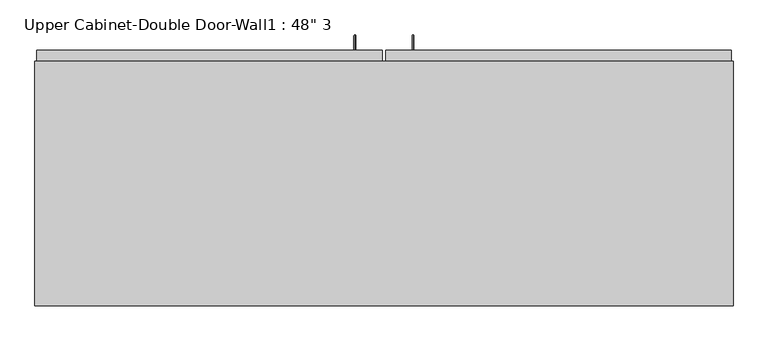
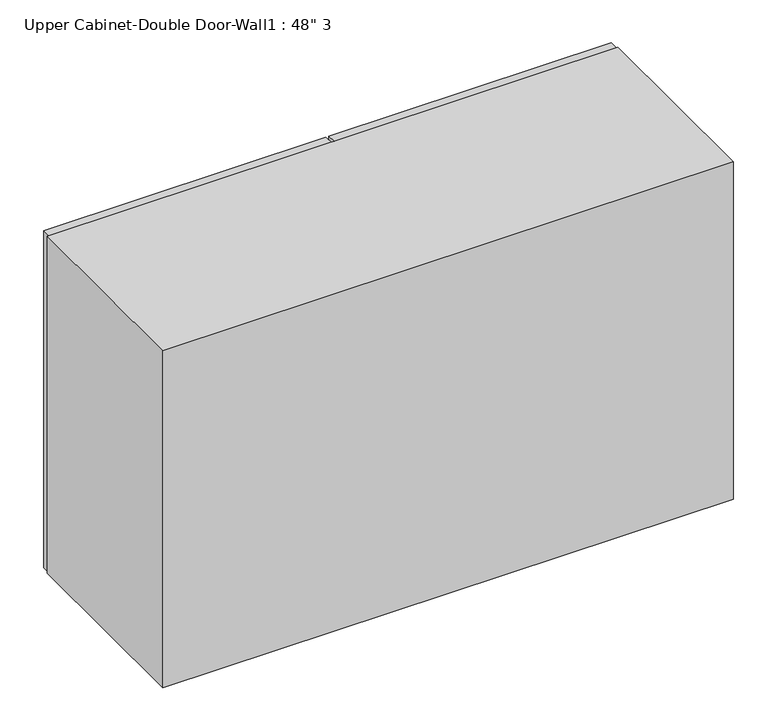
"""IFC4 building model written with IfcOpenShell, lengths in millimetres: furniture geometry."""

from ifc_helpers import new_model, si_unit, frame, origin, place, context, project, spatial, polyline, circle_curve, ellipse_curve, outline, extrude, faceted_brep, source, transform, mapped, element, save
from ifc_brep_helpers import plane_surface, cylinder_surface, advanced_brep


def furniture_0e013a3c(model_context):
    return source(origin(), model_context, "Body", "SolidModel", [
        advanced_brep(
        [(80.5132081, 507.9625, 1425.575), (80.5132081, 507.9625, 1422.4), (80.5132081, 531.775, 1425.575), (80.5132081, 534.95, 1422.4), (80.5132081, 531.775, 1597.025), (80.5132081, 534.95, 1600.2), (80.5132081, 507.9625, 1597.025), (80.5132081, 507.9625, 1600.2)],
        [
            (0, 1, circle_curve(frame((80.5132081, 507.9625, 1423.9875), z_axis=(0.0, -1.0, 0.0), x_axis=(0.0, 0.0, -1.0)), 1.5875)),
            (1, 0, circle_curve(frame((80.5132081, 507.9625, 1423.9875), z_axis=(0.0, -1.0, 0.0), x_axis=(0.0, 0.0, -1.0)), 1.5875)),
            (0, 2),
            (2, 3, ellipse_curve(frame((80.5132081, 533.3625, 1423.9875), z_axis=(0.0, -0.7071067811865498, -0.7071067811865454), x_axis=(0.0, -0.7071067811865451, 0.7071067811865498)), 2.245064, 1.5875)),
            (3, 1),
            (3, 2, ellipse_curve(frame((80.5132081, 533.3625, 1423.9875), z_axis=(0.0, -0.7071067811865498, -0.7071067811865454), x_axis=(0.0, -0.7071067811865451, 0.7071067811865498)), 2.245064, 1.5875)),
            (2, 4),
            (4, 5, ellipse_curve(frame((80.5132081, 533.3625, 1598.6125), z_axis=(0.0, 0.7071067811865452, -0.7071067811865497), x_axis=(0.0, -0.7071067811865496, -0.7071067811865455)), 2.245064, 1.5875)),
            (5, 3),
            (5, 4, ellipse_curve(frame((80.5132081, 533.3625, 1598.6125), z_axis=(0.0, 0.7071067811865452, -0.7071067811865497), x_axis=(0.0, -0.7071067811865496, -0.7071067811865455)), 2.245064, 1.5875)),
            (6, 7, circle_curve(frame((80.5132081, 507.9625, 1598.6125), z_axis=(0.0, -1.0, 0.0), x_axis=(0.0, 0.0, 1.0)), 1.5875)),
            (7, 6, circle_curve(frame((80.5132081, 507.9625, 1598.6125), z_axis=(0.0, -1.0, 0.0), x_axis=(0.0, 0.0, 1.0)), 1.5875)),
            (4, 6),
            (7, 5),
        ],
        [
            plane_surface(frame((80.5132081, 507.9625, 1423.9875), z_axis=(0.0, -1.0, 0.0), x_axis=(-1.0, 0.0, 0.0))),
            cylinder_surface(frame((80.5132081, 507.9625, 1423.9875), z_axis=(0.0, -1.0, 0.0), x_axis=(0.0, 0.0, -1.0)), 1.5875),
            cylinder_surface(frame((80.5132081, 533.3625, 1423.9875), z_axis=(0.0, 0.0, -1.0), x_axis=(0.0, 1.0, 0.0)), 1.5875),
            plane_surface(frame((80.5132081, 507.9625, 1598.6125), z_axis=(0.0, -1.0, 0.0), x_axis=(-1.0, 0.0, 0.0))),
            cylinder_surface(frame((80.5132081, 533.3625, 1598.6125), z_axis=(0.0, 1.0, 0.0), x_axis=(0.0, 0.0, 1.0)), 1.5875),
        ],
        [
            (0, [[1, 2]]),
            (1, [[-1, 3, 4, 5]]),
            (1, [[-2, -5, 6, -3]]),
            (2, [[-4, 7, 8, 9]]),
            (2, [[-6, -9, 10, -7]]),
            (3, [[11, 12]]),
            (4, [[-8, 13, -12, 14]]),
            (4, [[-10, -14, -11, -13]]),
        ],
    ),
        advanced_brep(
        [(-21.0867919, 507.9625, 1425.575), (-21.0867919, 507.9625, 1422.4), (-21.0867919, 531.775, 1425.575), (-21.0867919, 534.95, 1422.4), (-21.0867919, 531.775, 1597.025), (-21.0867919, 534.95, 1600.2), (-21.0867919, 507.9625, 1597.025), (-21.0867919, 507.9625, 1600.2)],
        [
            (0, 1, circle_curve(frame((-21.0867919, 507.9625, 1423.9875), z_axis=(0.0, -1.0, 0.0), x_axis=(0.0, 0.0, -1.0)), 1.5875)),
            (1, 0, circle_curve(frame((-21.0867919, 507.9625, 1423.9875), z_axis=(0.0, -1.0, 0.0), x_axis=(0.0, 0.0, -1.0)), 1.5875)),
            (0, 2),
            (2, 3, ellipse_curve(frame((-21.0867919, 533.3625, 1423.9875), z_axis=(0.0, -0.7071067811865498, -0.7071067811865451), x_axis=(0.0, -0.7071067811865454, 0.7071067811865498)), 2.245064, 1.5875)),
            (3, 1),
            (3, 2, ellipse_curve(frame((-21.0867919, 533.3625, 1423.9875), z_axis=(0.0, -0.7071067811865498, -0.7071067811865451), x_axis=(0.0, -0.7071067811865454, 0.7071067811865498)), 2.245064, 1.5875)),
            (2, 4),
            (4, 5, ellipse_curve(frame((-21.0867919, 533.3625, 1598.6125), z_axis=(0.0, 0.7071067811865452, -0.7071067811865499), x_axis=(0.0, -0.70710678118655, -0.707106781186545)), 2.245064, 1.5875)),
            (5, 3),
            (5, 4, ellipse_curve(frame((-21.0867919, 533.3625, 1598.6125), z_axis=(0.0, 0.7071067811865452, -0.7071067811865499), x_axis=(0.0, -0.70710678118655, -0.707106781186545)), 2.245064, 1.5875)),
            (6, 7, circle_curve(frame((-21.0867919, 507.9625, 1598.6125), z_axis=(0.0, -1.0, 0.0), x_axis=(0.0, 0.0, 1.0)), 1.5875)),
            (7, 6, circle_curve(frame((-21.0867919, 507.9625, 1598.6125), z_axis=(0.0, -1.0, 0.0), x_axis=(0.0, 0.0, 1.0)), 1.5875)),
            (4, 6),
            (7, 5),
        ],
        [
            plane_surface(frame((-21.0867919, 507.9625, 1423.9875), z_axis=(0.0, -1.0, 0.0), x_axis=(-1.0, 0.0, 0.0))),
            cylinder_surface(frame((-21.0867919, 507.9625, 1423.9875), z_axis=(0.0, -1.0, 0.0), x_axis=(0.0, 0.0, -1.0)), 1.5875),
            cylinder_surface(frame((-21.0867919, 533.3625, 1423.9875), z_axis=(0.0, 0.0, -1.0), x_axis=(0.0, 1.0, 0.0)), 1.5875),
            plane_surface(frame((-21.0867919, 507.9625, 1598.6125), z_axis=(0.0, -1.0, 0.0), x_axis=(-1.0, 0.0, 0.0))),
            cylinder_surface(frame((-21.0867919, 533.3625, 1598.6125), z_axis=(0.0, 1.0, 0.0), x_axis=(0.0, 0.0, 1.0)), 1.5875),
        ],
        [
            (0, [[1, 2]]),
            (1, [[-1, 3, 4, 5]]),
            (1, [[-2, -5, 6, -3]]),
            (2, [[-4, 7, 8, 9]]),
            (2, [[-6, -9, 10, -7]]),
            (3, [[11, 12]]),
            (4, [[-8, 13, -12, 14]]),
            (4, [[-10, -14, -11, -13]]),
        ],
    ),
        faceted_brep([(-579.8288372, 61.9125, 2133.6), (-579.8288372, 61.9125, 1371.6), (639.3711628, 61.9125, 1371.6), (639.3711628, 61.9125, 2133.6), (-579.8288372, 488.9125, 2133.6), (639.3711628, 488.9125, 2133.6), (639.3711628, 488.9125, 1371.6), (-579.8288372, 488.9125, 1371.6), (620.3211628, 488.9125, 2114.55), (55.1711628, 488.9125, 2114.55), (55.1711628, 488.9125, 1390.65), (620.3211628, 488.9125, 1390.65), (-560.7788372, 488.9125, 2114.55), (-560.7788372, 488.9125, 1390.65), (4.3711628, 488.9125, 1390.65), (4.3711628, 488.9125, 2114.55), (-560.7788372, 80.9625, 2114.55), (4.3711628, 469.8625, 2114.55), (55.1711628, 469.8625, 2114.55), (620.3211628, 80.9625, 2114.55), (620.3211628, 80.9625, 1390.65), (55.1711628, 469.8625, 1390.65), (4.3711628, 469.8625, 1390.65), (-560.7788372, 80.9625, 1390.65)], [[[0, 1, 2, 3]], [[4, 5, 6, 7], [8, 9, 10, 11], [12, 13, 14, 15]], [[1, 0, 4, 7]], [[2, 1, 7, 6]], [[3, 2, 6, 5]], [[0, 3, 5, 4]], [[16, 12, 15, 17, 18, 9, 8, 19]], [[8, 11, 20, 19]], [[20, 11, 10, 21, 22, 14, 13, 23]], [[13, 12, 16, 23]], [[16, 19, 20, 23]], [[18, 21, 10, 9]], [[15, 14, 22, 17]], [[21, 18, 17, 22]]]),
        extrude(outline(polyline([(32.9461628, 507.9625), (636.1961628, 507.9625), (636.1961628, 488.9125), (32.9461628, 488.9125), (32.9461628, 507.9625)])), frame((0.0, 0.0, 1371.6), z_axis=(0.0, 0.0, 1.0), x_axis=(1.0, 0.0, 0.0)), (0.0, 0.0, 1.0), 762.0),
        extrude(outline(polyline([(-576.6538372, 507.9625), (26.5961628, 507.9625), (26.5961628, 488.9125), (-576.6538372, 488.9125), (-576.6538372, 507.9625)])), frame((0.0, 0.0, 1371.6), z_axis=(0.0, 0.0, 1.0), x_axis=(1.0, 0.0, 0.0)), (0.0, 0.0, 1.0), 762.0),
        extrude(outline(polyline([(620.3211628, 469.8625), (620.3211628, 80.9625), (-560.7788372, 80.9625), (-560.7788372, 469.8625), (620.3211628, 469.8625)])), frame((0.0, 0.0, 1951.0326388), z_axis=(0.0, 0.0, 1.0), x_axis=(1.0, 0.0, 0.0)), (0.0, 0.0, 1.0), 12.7),
        extrude(outline(polyline([(620.3211628, 469.8625), (620.3211628, 80.9625), (-560.7788372, 80.9625), (-560.7788372, 469.8625), (620.3211628, 469.8625)])), frame((0.0, 0.0, 1773.2326388), z_axis=(0.0, 0.0, 1.0), x_axis=(1.0, 0.0, 0.0)), (0.0, 0.0, 1.0), 12.7),
        extrude(outline(polyline([(620.3211628, 469.8625), (620.3211628, 80.9625), (-560.7788372, 80.9625), (-560.7788372, 469.8625), (620.3211628, 469.8625)])), frame((0.0, 0.0, 1595.4326388), z_axis=(0.0, 0.0, 1.0), x_axis=(1.0, 0.0, 0.0)), (0.0, 0.0, 1.0), 12.7),
    ])


if __name__ == "__main__":
    model = new_model("IFC4")
    model_context = context("Model", 3, world=origin())
    ifc_project = project(units=[si_unit("LENGTHUNIT", "METRE", prefix="MILLI")], contexts=[model_context])
    site = spatial("IfcSite", under=ifc_project)
    building = spatial("IfcBuilding", under=site)
    placement = place(None, origin())
    furniture_shape = furniture_0e013a3c(model_context)
    element("IfcFurniture", 1, ObjectType="Upper Cabinet-Double Door-Wall1 : 48\" 3", at=placement, inside=building, context=model_context, shape_type="MappedRepresentation", body=[
        mapped(furniture_shape, transform((0.0, 0.0, 0.0), x_axis=(1.0, 0.0, 0.0), y_axis=(0.0, 1.0, 0.0), z_axis=(0.0, 0.0, 1.0))),
    ])
    save(model, "model.ifc")
